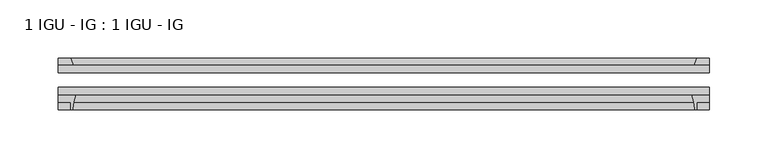
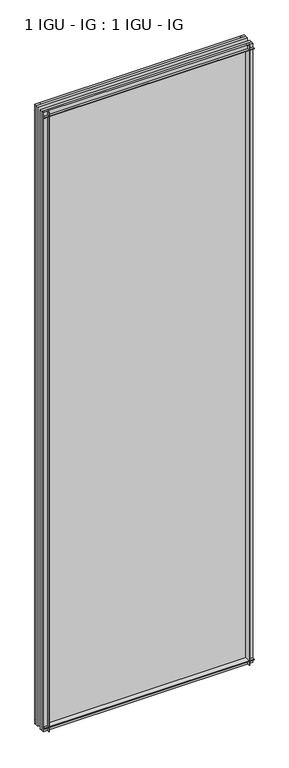
"""IFC4 building model written with IfcOpenShell, lengths in millimetres: plate geometry, 1 IGU - IG : 1 IGU - IG."""

from ifc_helpers import new_model, si_unit, point, frame, frame_2d, origin, place, context, project, spatial, polyline, circle_curve, trimmed, segment, composite_curve, outline, extrude, source, transform, mapped, element, save


def plate_1_igu_ig_1_igu_ig_a318f929(model_context):
    return source(origin(), model_context, "Body", "SweptSolid", [
        extrude(outline(polyline([(300.0375, -31.75), (300.0375, -38.1), (-261.9375, -38.1), (-261.9375, -31.75), (300.0375, -31.75)])), frame((0.0, 0.0, -11.1125), z_axis=(0.0, 0.0, 1.0), x_axis=(1.0, 0.0, 0.0)), (0.0, 0.0, 1.0), 1755.775),
        extrude(outline(polyline([(-261.9375, -12.7), (300.0375, -12.7), (300.0375, -19.05), (-261.9375, -19.05), (-261.9375, -12.7)])), frame((0.0, 0.0, -11.1125), z_axis=(0.0, 0.0, 1.0), x_axis=(1.0, 0.0, 0.0)), (0.0, 0.0, 1.0), 1755.775),
        extrude(outline(composite_curve([segment(polyline([(-261.9375, -38.1), (-246.6438207, -38.1)]), True, "CONTINUOUS"), segment(trimmed(circle_curve(frame_2d((-203.3848044, -53.3794536)), 45.8781451), [point((-246.6438207, -38.1))], [point((-249.1450572, -50.0925922))], True, "CARTESIAN"), True, "CONTINUOUS"), segment(trimmed(circle_curve(frame_2d((-249.9050991, -50.038)), 0.762), [point((-249.1450572, -50.0925922))], [point((-249.9050991, -50.8))], False, "CARTESIAN"), True, "CONTINUOUS"), segment(polyline([(-249.9050991, -50.8), (-250.825, -50.8), (-250.825, -44.45), (-261.9375, -44.45), (-261.9375, -38.1)]), True, "CONTINUOUS")], self_intersect=False)), frame((0.0, 0.0, -11.1125), z_axis=(0.0, 0.0, 1.0), x_axis=(1.0, 0.0, 0.0)), (0.0, 0.0, 1.0), 1755.775),
        extrude(outline(polyline([(-248.7197229, -12.7), (-261.9375, -12.7), (-261.9375, -6.35), (-250.825, -6.35), (-248.7197229, -12.7)])), frame((0.0, 0.0, -11.1125), z_axis=(0.0, 0.0, 1.0), x_axis=(1.0, 0.0, 0.0)), (0.0, 0.0, 1.0), 1755.775),
        extrude(outline(polyline([(300.0375, -12.7), (286.8197229, -12.7), (288.925, -6.35), (300.0375, -6.35), (300.0375, -12.7)])), frame((0.0, 0.0, -11.1125), z_axis=(0.0, 0.0, 1.0), x_axis=(1.0, 0.0, 0.0)), (0.0, 0.0, 1.0), 1755.775),
        extrude(outline(composite_curve([segment(polyline([(284.7438207, -38.1), (300.0375, -38.1), (300.0375, -44.45), (288.925, -44.45), (288.925, -50.8), (288.0050991, -50.8)]), True, "CONTINUOUS"), segment(trimmed(circle_curve(frame_2d((288.0050991, -50.038)), 0.762), [point((288.0050991, -50.8))], [point((287.2450572, -50.0925922))], False, "CARTESIAN"), True, "CONTINUOUS"), segment(trimmed(circle_curve(frame_2d((241.4848044, -53.3794536)), 45.8781451), [point((287.2450572, -50.0925922))], [point((284.7438207, -38.1))], True, "CARTESIAN"), True, "CONTINUOUS")], self_intersect=False)), frame((0.0, 0.0, -11.1125), z_axis=(0.0, 0.0, 1.0), x_axis=(1.0, 0.0, 0.0)), (0.0, 0.0, 1.0), 1755.775),
        extrude(outline(polyline([(-12.7, -11.1125), (-12.7, 2.1052771), (-6.35, 0.0), (-6.35, -11.1125), (-12.7, -11.1125)])), frame((-261.9375, 0.0, 0.0), z_axis=(1.0, 0.0, 0.0), x_axis=(0.0, 1.0, 0.0)), (0.0, 0.0, 1.0), 561.975),
        extrude(outline(composite_curve([segment(polyline([(-38.1, 4.1811793), (-38.1, -11.1125), (-44.45, -11.1125), (-44.45, 0.0), (-50.8, 0.0), (-50.8, 0.9199009)]), True, "CONTINUOUS"), segment(trimmed(circle_curve(frame_2d((-50.038, 0.9199009)), 0.762), [point((-50.8, 0.9199009))], [point((-50.0925922, 1.6799428))], False, "CARTESIAN"), True, "CONTINUOUS"), segment(trimmed(circle_curve(frame_2d((-53.3794536, 47.4401956)), 45.8781451), [point((-50.0925922, 1.6799428))], [point((-38.1, 4.1811793))], True, "CARTESIAN"), True, "CONTINUOUS")], self_intersect=False)), frame((-261.9375, 0.0, 0.0), z_axis=(1.0, 0.0, 0.0), x_axis=(0.0, 1.0, 0.0)), (0.0, 0.0, 1.0), 561.975),
        extrude(outline(polyline([(-6.35, 1733.55), (-12.7, 1731.4447229), (-12.7, 1744.6625), (-6.35, 1744.6625), (-6.35, 1733.55)])), frame((-261.9375, 0.0, 0.0), z_axis=(1.0, 0.0, 0.0), x_axis=(0.0, 1.0, 0.0)), (0.0, 0.0, 1.0), 561.975),
        extrude(outline(composite_curve([segment(polyline([(-38.1, 1744.6625), (-38.1, 1729.3688207)]), True, "CONTINUOUS"), segment(trimmed(circle_curve(frame_2d((-53.3794536, 1686.1098044)), 45.8781451), [point((-38.1, 1729.3688207))], [point((-50.0925922, 1731.8700572))], True, "CARTESIAN"), True, "CONTINUOUS"), segment(trimmed(circle_curve(frame_2d((-50.038, 1732.6300991)), 0.762), [point((-50.0925922, 1731.8700572))], [point((-50.8, 1732.6300991))], False, "CARTESIAN"), True, "CONTINUOUS"), segment(polyline([(-50.8, 1732.6300991), (-50.8, 1733.55), (-44.45, 1733.55), (-44.45, 1744.6625), (-38.1, 1744.6625)]), True, "CONTINUOUS")], self_intersect=False)), frame((-261.9375, 0.0, 0.0), z_axis=(1.0, 0.0, 0.0), x_axis=(0.0, 1.0, 0.0)), (0.0, 0.0, 1.0), 561.975),
    ])


if __name__ == "__main__":
    model = new_model("IFC4")
    model_context = context("Model", 3, world=origin())
    ifc_project = project(units=[si_unit("LENGTHUNIT", "METRE", prefix="MILLI")], contexts=[model_context])
    site = spatial("IfcSite", under=ifc_project)
    building = spatial("IfcBuilding", under=site)
    placement = place(None, origin())
    plate_1_igu_ig_1_igu_ig_shape = plate_1_igu_ig_1_igu_ig_a318f929(model_context)
    element("IfcPlate", 1, ObjectType="1 IGU - IG : 1 IGU - IG", at=placement, inside=building, context=model_context, shape_type="MappedRepresentation", body=[
        mapped(plate_1_igu_ig_1_igu_ig_shape, transform((0.0, 0.0, 0.0), x_axis=(1.0, 0.0, 0.0), y_axis=(0.0, 1.0, 0.0), z_axis=(0.0, 0.0, 1.0))),
    ])
    save(model, "model.ifc")
